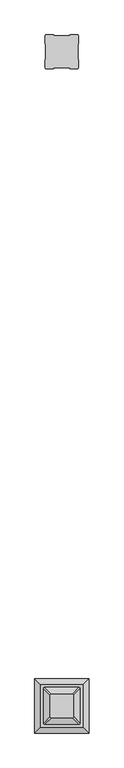
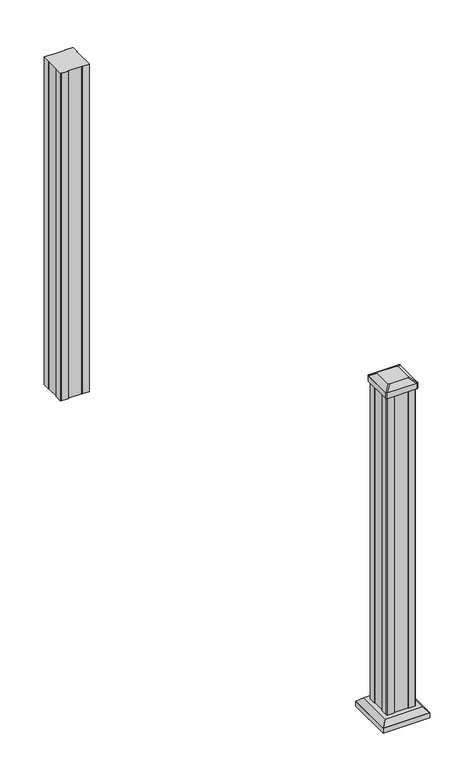
"""IFC4 building model written with IfcOpenShell, lengths in millimetres: railing geometry."""

import ifcopenshell
import ifcopenshell.guid

model = None  # the IFC model being written
_history = None  # IfcOwnerHistory: only IFC2X3 demands one
_inside = {}  # id of a spatial element -> (the spatial element, [elements in it])
_under = {}  # id of a project, library or spatial element -> (it, [spatial elements below it])
_declared = {}  # id of a project -> (the project, [libraries it declares])
_typed = {}  # id of a type object -> (the type object, [elements of that type])
_made_of = {}  # id of a material, layer set ... -> (it, [elements and type objects made of it])


def new_model(schema):
    """Start an empty IFC model of exactly this schema.

    Asked for "IFC4X3", IfcOpenShell would pick the latest addendum, in which some entities
    have other attributes; the version numbers below select the first issue.
    IFC2X3 requires an IfcOwnerHistory on every rooted entity: one is made here for all.
    """
    global model, _history
    if schema == "IFC4X3":
        model = ifcopenshell.file(schema_version=(4, 3, 0, 0))
    else:
        model = ifcopenshell.file(schema=schema)
    _inside.clear()
    _under.clear()
    _declared.clear()
    _typed.clear()
    _made_of.clear()
    _history = None
    if model.schema == "IFC2X3":
        org = make("IfcOrganization", Name="unknown")
        user = make(
            "IfcPersonAndOrganization",
            ThePerson=make("IfcPerson", FamilyName="unknown"),
            TheOrganization=org,
        )
        app = make(
            "IfcApplication",
            ApplicationDeveloper=org,
            Version="unknown",
            ApplicationFullName="unknown",
            ApplicationIdentifier="unknown",
        )
        _history = make(
            "IfcOwnerHistory",
            OwningUser=user,
            OwningApplication=app,
            ChangeAction="ADDED",
            CreationDate=0,
        )
    return model


def make(cls, **values):
    """One entity of the class cls with the attributes given. An attribute that is None is left unset."""
    return model.create_entity(
        cls, **{name: value for name, value in values.items() if value is not None}
    )


def rooted(cls, **values):
    """An entity with a GlobalId (a new one), such as an element, a storey or a relation."""
    return make(cls, GlobalId=ifcopenshell.guid.new(), OwnerHistory=_history, **values)


def si_unit(unit_type, name, prefix=None):
    """IfcSIUnit, for example si_unit("LENGTHUNIT", "METRE", prefix="MILLI")."""
    return make("IfcSIUnit", UnitType=unit_type, Prefix=prefix, Name=name)


def assignment(units):
    """IfcUnitAssignment: the units of a project."""
    return None if units is None else make("IfcUnitAssignment", Units=units)


def point(xyz):
    """IfcCartesianPoint."""
    return None if xyz is None else make("IfcCartesianPoint", Coordinates=xyz)


def direction(xyz):
    """IfcDirection."""
    return None if xyz is None else make("IfcDirection", DirectionRatios=xyz)


def frame(location, z_axis=None, x_axis=None):
    """IfcAxis2Placement3D, a coordinate frame: its origin and axes. An axis left out is left unset."""
    return make(
        "IfcAxis2Placement3D",
        Location=point(location),
        Axis=direction(z_axis),
        RefDirection=direction(x_axis),
    )


def frame_2d(location, x_axis=None):
    """IfcAxis2Placement2D, a coordinate frame in the plane: its origin and x axis."""
    return make(
        "IfcAxis2Placement2D", Location=point(location), RefDirection=direction(x_axis)
    )


def origin():
    """The frame at (0, 0, 0) with its axes left unset."""
    return frame((0.0, 0.0, 0.0))


def origin_with_axes():
    """The frame at (0, 0, 0) with the z axis (0, 0, 1) and the x axis (1, 0, 0) written out."""
    return frame((0.0, 0.0, 0.0), z_axis=(0.0, 0.0, 1.0), x_axis=(1.0, 0.0, 0.0))


def place(relative_to, where):
    """IfcLocalPlacement: puts the frame where relative to a parent placement (None: the world)."""
    return make(
        "IfcLocalPlacement", PlacementRelTo=relative_to, RelativePlacement=where
    )


def context(
    kind, dimensions, precision=None, world=None, true_north=None, identifier=None
):
    """IfcGeometricRepresentationContext, for example the 3D "Model" context."""
    return make(
        "IfcGeometricRepresentationContext",
        ContextIdentifier=identifier,
        ContextType=kind,
        CoordinateSpaceDimension=dimensions,
        Precision=precision,
        WorldCoordinateSystem=world,
        TrueNorth=true_north,
    )


def project(units=None, contexts=None):
    """IfcProject with its units and contexts."""
    return rooted(
        "IfcProject",
        Name="project",
        RepresentationContexts=contexts,
        UnitsInContext=assignment(units),
    )


def spatial(cls, under=None, at=None, **own):
    """A site, building, storey or space (cls), placed at a placement, below another one or the project."""
    s = rooted(cls, ObjectPlacement=at, **own)
    if under is not None:
        _under.setdefault(under.id(), (under, []))[1].append(s)
    return s


def polyline(points):
    """IfcPolyline through the points."""
    return make("IfcPolyline", Points=[point(p) for p in points])


def circle_curve(where, radius):
    """IfcCircle in the frame where."""
    return make("IfcCircle", Position=where, Radius=radius)


def trimmed(basis, trim1, trim2, sense, master):
    """IfcTrimmedCurve: the piece of a basis curve between two trims."""
    return make(
        "IfcTrimmedCurve",
        BasisCurve=basis,
        Trim1=trim1,
        Trim2=trim2,
        SenseAgreement=sense,
        MasterRepresentation=master,
    )


def segment(curve, same_sense, transition):
    """IfcCompositeCurveSegment."""
    return make(
        "IfcCompositeCurveSegment",
        Transition=transition,
        SameSense=same_sense,
        ParentCurve=curve,
    )


def composite_curve(segments, self_intersect=None):
    """IfcCompositeCurve: segments joined end to end."""
    return make("IfcCompositeCurve", Segments=segments, SelfIntersect=self_intersect)


def outline(outer, holes=None, kind="AREA"):
    """IfcArbitraryClosedProfileDef: a profile drawn as a closed curve; with holes, ...WithVoids."""
    if holes is None:
        return make("IfcArbitraryClosedProfileDef", ProfileType=kind, OuterCurve=outer)
    return make(
        "IfcArbitraryProfileDefWithVoids",
        ProfileType=kind,
        OuterCurve=outer,
        InnerCurves=holes,
    )


def extrude(swept, where, along, depth):
    """IfcExtrudedAreaSolid: the profile swept, set in the frame where, extruded along a direction by depth."""
    return make(
        "IfcExtrudedAreaSolid",
        SweptArea=swept,
        Position=where,
        ExtrudedDirection=direction(along),
        Depth=depth,
    )


def faces_of(points, faces, orient=None, outer=None):
    """IfcFace entities. A face is a list of loops; a loop is a list of indices into points, from 0.

    orient and outer hold one flag for each loop. By default every Orientation is true, the
    first loop of a face is its IfcFaceOuterBound and the others are IfcFaceBound.
    """
    made = []
    for i, loops in enumerate(faces):
        bounds = []
        for j, loop in enumerate(loops):
            is_outer = j == 0 if outer is None else outer[i][j]
            bounds.append(
                make(
                    "IfcFaceOuterBound" if is_outer else "IfcFaceBound",
                    Bound=make("IfcPolyLoop", Polygon=[points[k] for k in loop]),
                    Orientation=True if orient is None else orient[i][j],
                )
            )
        made.append(make("IfcFace", Bounds=bounds))
    return made


def faceted_brep(points, faces, orient=None, outer=None, voids=None):
    """IfcFacetedBrep: a solid bounded by flat faces; with voids (closed shells), ...WithVoids."""
    shared = [point(p) for p in points]
    hull = make("IfcClosedShell", CfsFaces=faces_of(shared, faces, orient, outer))
    if voids is None:
        return make("IfcFacetedBrep", Outer=hull)
    return make(
        "IfcFacetedBrepWithVoids",
        Outer=hull,
        Voids=[
            make(cls, CfsFaces=faces_of(shared, fs, o, b)) for cls, fs, o, b in voids
        ],
    )


def shape(context_of_items, identifier, shape_type, items):
    """IfcShapeRepresentation: the items that make up one representation, for example the "Body"."""
    return make(
        "IfcShapeRepresentation",
        ContextOfItems=context_of_items,
        RepresentationIdentifier=identifier,
        RepresentationType=shape_type,
        Items=items,
    )


def source(mapping_origin, context_of_items, identifier, shape_type, items):
    """IfcRepresentationMap: a shape defined once, which mapped items show again and again."""
    return make(
        "IfcRepresentationMap",
        MappingOrigin=mapping_origin,
        MappedRepresentation=shape(context_of_items, identifier, shape_type, items),
    )


def transform(
    local_origin,
    x_axis=None,
    y_axis=None,
    z_axis=None,
    scale=None,
    scale2=None,
    scale3=None,
    uniform=True,
):
    """IfcCartesianTransformationOperator3D, or its non-uniform kind. x_axis, y_axis, z_axis: its Axis1, 2, 3."""
    if uniform:
        return make(
            "IfcCartesianTransformationOperator3D",
            Axis1=direction(x_axis),
            Axis2=direction(y_axis),
            LocalOrigin=point(local_origin),
            Scale=scale,
            Axis3=direction(z_axis),
        )
    return make(
        "IfcCartesianTransformationOperator3DnonUniform",
        Axis1=direction(x_axis),
        Axis2=direction(y_axis),
        LocalOrigin=point(local_origin),
        Scale=scale,
        Axis3=direction(z_axis),
        Scale2=scale2,
        Scale3=scale3,
    )


def mapped(mapping_source, mapping_target):
    """IfcMappedItem: shows the shape of a source again, moved by a transform."""
    return make(
        "IfcMappedItem", MappingSource=mapping_source, MappingTarget=mapping_target
    )


def made_of(thing, what):
    """Note that an element or type object is made of a material, layer set ...; save() writes the relation."""
    if what is not None:
        _made_of.setdefault(what.id(), (what, []))[1].append(thing)
    return thing


def element(
    cls,
    number,
    at=None,
    inside=None,
    cuts=None,
    type_object=None,
    material=None,
    context=None,
    identifier="Body",
    shape_type=None,
    held_by="IfcProductDefinitionShape",
    body=None,
    shapes=None,
    **own,
):
    """One element of the class cls, such as IfcWall. Its Tag is "e" and its number.

    at: its placement. inside: the storey or other place that contains it. cuts: it is an
    opening in that element (IfcRelVoidsElement). A single representation is given by context,
    identifier, shape_type and body (its items); several are given by shapes. held_by: the class
    of the entity that holds the representations. save() writes the other relations.
    """
    e = rooted(cls, Tag="e%d" % number, ObjectPlacement=at, **own)
    if body is not None:
        shapes = [shape(context, identifier, shape_type, body)]
    if shapes is not None:
        e.Representation = make(held_by, Representations=shapes)
    if inside is not None:
        _inside.setdefault(inside.id(), (inside, []))[1].append(e)
    if cuts is not None:
        rooted(
            "IfcRelVoidsElement", RelatingBuildingElement=cuts, RelatedOpeningElement=e
        )
    if type_object is not None:
        _typed.setdefault(type_object.id(), (type_object, []))[1].append(e)
    return made_of(e, material)


def aggregate(whole, parts):
    """IfcRelAggregates: a whole, such as a stair, and the parts it consists of."""
    return rooted("IfcRelAggregates", RelatingObject=whole, RelatedObjects=parts)


def save(model, path):
    """Write the relations noted so far, then the file.

    IfcRelAggregates (storeys below a building ...), IfcRelContainedInSpatialStructure (elements
    in a storey), IfcRelDefinesByType, IfcRelAssociatesMaterial and IfcRelDeclares: one each for
    every whole, place, type object, material and project.
    """
    for whole, parts in _under.values():
        aggregate(whole, parts)
    for where, things in _inside.values():
        rooted(
            "IfcRelContainedInSpatialStructure",
            RelatedElements=things,
            RelatingStructure=where,
        )
    for kind, things in _typed.values():
        rooted("IfcRelDefinesByType", RelatedObjects=things, RelatingType=kind)
    for what, things in _made_of.values():
        rooted("IfcRelAssociatesMaterial", RelatedObjects=things, RelatingMaterial=what)
    for by, libraries in _declared.values():
        rooted("IfcRelDeclares", RelatingContext=by, RelatedDefinitions=libraries)
    model.write(path)


def plane_surface(at):
    """IfcPlane: the flat surface through the origin of the frame at, square to its z axis."""
    return make("IfcPlane", Position=at)


def extruded_surface(curve, direction_of_extrusion, depth):
    """IfcSurfaceOfLinearExtrusion: the curve pushed along a direction by depth."""
    return make(
        "IfcSurfaceOfLinearExtrusion",
        SweptCurve=make("IfcArbitraryOpenProfileDef", ProfileType="CURVE", Curve=curve),
        ExtrudedDirection=direction(direction_of_extrusion),
        Depth=depth,
    )


def advanced_brep(points, edges, surfaces, faces):
    """IfcAdvancedBrep: a solid bounded by faces that lie on surfaces and meet in shared edges.

    An edge is (start, end): straight between two places in points (the first is 0);
    or (start, end, curve); or (start, end, curve, False) where it runs against its curve.
    A face is (place in surfaces, loops), or (place, loops, False) where it looks against
    its surface's normal. A loop lists edges by number (the first is 1), with a minus sign
    where the edge is run from its end to its start. The first loop is the outer one.
    """
    corners = [point(p) for p in points]
    vertices = [make("IfcVertexPoint", VertexGeometry=c) for c in corners]
    made = []
    for start, end, *more in edges:
        made.append(
            make(
                "IfcEdgeCurve",
                EdgeStart=vertices[start],
                EdgeEnd=vertices[end],
                EdgeGeometry=more[0] if more else make("IfcPolyline", Points=[corners[start], corners[end]]),
                SameSense=more[1] if len(more) > 1 else True,
            )
        )
    hull = []
    for where, loops, *sense in faces:
        bounds = []
        for j, loop in enumerate(loops):
            ring = [make("IfcOrientedEdge", EdgeElement=made[abs(k) - 1], Orientation=k > 0) for k in loop]
            bounds.append(
                make(
                    "IfcFaceOuterBound" if j == 0 else "IfcFaceBound",
                    Bound=make("IfcEdgeLoop", EdgeList=ring),
                    Orientation=True,
                )
            )
        hull.append(make("IfcAdvancedFace", Bounds=bounds, FaceSurface=surfaces[where], SameSense=sense[0] if sense else True))
    return make("IfcAdvancedBrep", Outer=make("IfcClosedShell", CfsFaces=hull))


def railing_4abc406f(model_context):
    return source(origin(), model_context, "Body", "SolidModel", [
        extrude(outline(polyline([(33527.4856124, 29488.030577), (33507.8641124, 29488.030577), (33507.1021124, 29489.618077), (33468.4941124, 29489.618077), (33467.7321124, 29488.030577), (33448.1106124, 29488.030577), (33446.5231124, 29489.618077), (33446.5231124, 29509.239577), (33448.1106124, 29510.001577), (33448.1106124, 29548.609577), (33446.5231124, 29549.371577), (33446.5231124, 29568.993077), (33448.1106124, 29570.580577), (33467.7321124, 29570.580577), (33468.4941124, 29568.993077), (33507.1021124, 29568.993077), (33507.8641124, 29570.580577), (33527.4856124, 29570.580577), (33529.0731124, 29568.993077), (33529.0731124, 29549.371577), (33527.4856124, 29548.609577), (33527.4856124, 29510.001577), (33529.0731124, 29509.239577), (33529.0731124, 29489.618077), (33527.4856124, 29488.030577)])), origin_with_axes(), (0.0, 0.0, 1.0), 984.25),
        faceted_brep([(33435.2121749, 27869.9156395, 28.575), (33540.3840499, 27869.9156395, 28.575), (33540.3840499, 27975.0875145, 28.575), (33435.2121749, 27975.0875145, 28.575), (33421.1727218, 27855.8761863, 15.24), (33421.1727218, 27989.1269676, 15.24), (33554.423503, 27989.1269676, 15.24), (33554.423503, 27855.8761863, 15.24)], [[[0, 1, 2, 3]], [[4, 5, 6, 7]], [[4, 7, 1, 0]], [[7, 6, 2, 1]], [[6, 5, 3, 2]], [[5, 4, 0, 3]]]),
        extrude(outline(polyline([(33421.1727218, 27855.8761863), (33421.1727218, 27989.1269676), (33554.423503, 27989.1269676), (33554.423503, 27855.8761863), (33421.1727218, 27855.8761863)])), origin_with_axes(), (0.0, 0.0, 1.0), 15.24),
        advanced_brep(
        [(33513.5949874, 27893.529702, 1012.825), (33516.7699874, 27896.704702, 1012.825), (33516.7699874, 27948.298452, 1012.825), (33513.5949874, 27951.473452, 1012.825), (33462.0012374, 27951.473452, 1012.825), (33458.8262374, 27948.298452, 1012.825), (33458.8262374, 27896.704702, 1012.825), (33462.0012374, 27893.529702, 1012.825), (33529.8668624, 27877.257827, 1001.522), (33445.7293624, 27877.257827, 1001.522), (33442.5543624, 27880.432827, 1001.522), (33442.5543624, 27964.570327, 1001.522), (33445.7293624, 27967.745327, 1001.522), (33529.8668624, 27967.745327, 1001.522), (33533.0418624, 27964.570327, 1001.522), (33533.0418624, 27880.432827, 1001.522)],
        [
            (0, 1, circle_curve(frame((33513.5949874, 27896.704702, 1012.825), z_axis=(0.0, 0.0, 1.0), x_axis=(0.0, 1.0, 0.0)), 3.175)),
            (1, 2),
            (2, 3, circle_curve(frame((33513.5949874, 27948.298452, 1012.825), z_axis=(0.0, 0.0, 1.0), x_axis=(0.0, 1.0, 0.0)), 3.175)),
            (3, 4),
            (4, 5, circle_curve(frame((33462.0012374, 27948.298452, 1012.825), z_axis=(0.0, 0.0, 1.0), x_axis=(0.0, 1.0, 0.0)), 3.175)),
            (5, 6),
            (6, 7, circle_curve(frame((33462.0012374, 27896.704702, 1012.825), z_axis=(0.0, 0.0, 1.0), x_axis=(0.0, 1.0, 0.0)), 3.175)),
            (7, 0),
            (8, 9),
            (9, 10, circle_curve(frame((33445.7293624, 27880.432827, 1001.522), z_axis=(0.0, 0.0, -1.0), x_axis=(0.0, 1.0, 0.0)), 3.175)),
            (10, 11),
            (11, 12, circle_curve(frame((33445.7293624, 27964.570327, 1001.522), z_axis=(0.0, 0.0, -1.0), x_axis=(0.0, 1.0, 0.0)), 3.175)),
            (12, 13),
            (13, 14, circle_curve(frame((33529.8668624, 27964.570327, 1001.522), z_axis=(0.0, 0.0, -1.0), x_axis=(0.0, 1.0, 0.0)), 3.175)),
            (14, 15),
            (15, 8, circle_curve(frame((33529.8668624, 27880.432827, 1001.522), z_axis=(0.0, 0.0, -1.0), x_axis=(0.0, 1.0, 0.0)), 3.175)),
            (15, 1),
            (0, 8),
            (14, 2),
            (13, 3),
            (12, 4),
            (11, 5),
            (10, 6),
            (9, 7),
        ],
        [
            plane_surface(frame((33487.7981124, 27922.501577, 1012.825), z_axis=(0.0, 0.0, 1.0), x_axis=(1.0, 0.0, 0.0))),
            plane_surface(frame((33487.7981124, 27922.501577, 1001.522), z_axis=(0.0, 0.0, -1.0), x_axis=(1.0, 0.0, 0.0))),
            extruded_surface(trimmed(circle_curve(frame((33529.8668624, 27880.432827, 1001.522), z_axis=(0.0, 0.0, 1.0), x_axis=(0.0, 1.0, 0.0)), 3.175), [point((33529.8668624, 27877.257827, 1001.522))], [point((33533.0418624, 27880.432827, 1001.522))], True, "CARTESIAN"), (-16.271874999998545, 16.271874999998545, 11.302999999999997), 25.637972638864316),
            plane_surface(frame((33533.0418624, 27922.501577, 1001.522), z_axis=(0.5705009161540779, 0.0, 0.8212969649690408), x_axis=(0.0, 1.0, 0.0))),
            extruded_surface(trimmed(circle_curve(frame((33529.8668624, 27964.570327, 1001.522), z_axis=(0.0, 0.0, 1.0), x_axis=(0.0, 1.0, 0.0)), 3.175), [point((33533.0418624, 27964.570327, 1001.522))], [point((33529.8668624, 27967.745327, 1001.522))], True, "CARTESIAN"), (-16.271874999998545, -16.271875000002183, 11.302999999999997), 25.63797263886662),
            plane_surface(frame((33487.7981124, 27967.745327, 1001.522), z_axis=(0.0, 0.5705009161540291, 0.8212969649690747), x_axis=(-1.0, 0.0, 0.0))),
            extruded_surface(trimmed(circle_curve(frame((33445.7293624, 27964.570327, 1001.522), z_axis=(0.0, 0.0, 1.0), x_axis=(0.0, 1.0, 0.0)), 3.175), [point((33445.7293624, 27967.745327, 1001.522))], [point((33442.5543624, 27964.570327, 1001.522))], True, "CARTESIAN"), (16.271874999998545, -16.271875000002183, 11.302999999999997), 25.63797263886662),
            plane_surface(frame((33442.5543624, 27922.501577, 1001.522), z_axis=(-0.5705009161540141, 0.0, 0.8212969649690851), x_axis=(0.0, -1.0, 0.0))),
            extruded_surface(trimmed(circle_curve(frame((33445.7293624, 27880.432827, 1001.522), z_axis=(0.0, 0.0, 1.0), x_axis=(0.0, 1.0, 0.0)), 3.175), [point((33442.5543624, 27880.432827, 1001.522))], [point((33445.7293624, 27877.257827, 1001.522))], True, "CARTESIAN"), (16.271874999998545, 16.271874999998545, 11.302999999999997), 25.637972638864316),
            plane_surface(frame((33487.7981124, 27877.257827, 1001.522), z_axis=(0.0, -0.570500916154034, 0.8212969649690713), x_axis=(1.0, 0.0, 0.0))),
        ],
        [
            (0, [[1, 2, 3, 4, 5, 6, 7, 8]]),
            (1, [[9, 10, 11, 12, 13, 14, 15, 16]]),
            (2, [[-16, 17, -1, 18]]),
            (3, [[-15, 19, -2, -17]]),
            (4, [[-14, 20, -3, -19]]),
            (5, [[-13, 21, -4, -20]]),
            (6, [[-12, 22, -5, -21]]),
            (7, [[-11, 23, -6, -22]]),
            (8, [[-10, 24, -7, -23]]),
            (9, [[-9, -18, -8, -24]]),
        ],
    ),
        extrude(outline(composite_curve([segment(polyline([(33529.8668624, 27877.257827), (33445.7293624, 27877.257827)]), True, "CONTINUOUS"), segment(trimmed(circle_curve(frame_2d((33445.7293624, 27880.432827)), 3.175), [point((33445.7293624, 27877.257827))], [point((33442.5543624, 27880.432827))], False, "CARTESIAN"), True, "CONTINUOUS"), segment(polyline([(33442.5543624, 27880.432827), (33442.5543624, 27964.570327)]), True, "CONTINUOUS"), segment(trimmed(circle_curve(frame_2d((33445.7293624, 27964.570327)), 3.175), [point((33442.5543624, 27964.570327))], [point((33445.7293624, 27967.745327))], False, "CARTESIAN"), True, "CONTINUOUS"), segment(polyline([(33445.7293624, 27967.745327), (33529.8668624, 27967.745327)]), True, "CONTINUOUS"), segment(trimmed(circle_curve(frame_2d((33529.8668624, 27964.570327)), 3.175), [point((33529.8668624, 27967.745327))], [point((33533.0418624, 27964.570327))], False, "CARTESIAN"), True, "CONTINUOUS"), segment(polyline([(33533.0418624, 27964.570327), (33533.0418624, 27880.432827)]), True, "CONTINUOUS"), segment(trimmed(circle_curve(frame_2d((33529.8668624, 27880.432827)), 3.175), [point((33533.0418624, 27880.432827))], [point((33529.8668624, 27877.257827))], False, "CARTESIAN"), True, "CONTINUOUS")], self_intersect=False)), frame((0.0, 0.0, 984.25), z_axis=(0.0, 0.0, 1.0), x_axis=(1.0, 0.0, 0.0)), (0.0, 0.0, 1.0), 17.272),
        extrude(outline(polyline([(33527.4856124, 27881.226577), (33507.8641124, 27881.226577), (33507.1021124, 27882.814077), (33468.4941124, 27882.814077), (33467.7321124, 27881.226577), (33448.1106124, 27881.226577), (33446.5231124, 27882.814077), (33446.5231124, 27902.435577), (33448.1106124, 27903.197577), (33448.1106124, 27941.805577), (33446.5231124, 27942.567577), (33446.5231124, 27962.189077), (33448.1106124, 27963.776577), (33467.7321124, 27963.776577), (33468.4941124, 27962.189077), (33507.1021124, 27962.189077), (33507.8641124, 27963.776577), (33527.4856124, 27963.776577), (33529.0731124, 27962.189077), (33529.0731124, 27942.567577), (33527.4856124, 27941.805577), (33527.4856124, 27903.197577), (33529.0731124, 27902.435577), (33529.0731124, 27882.814077), (33527.4856124, 27881.226577)])), origin_with_axes(), (0.0, 0.0, 1.0), 984.25),
    ])


if __name__ == "__main__":
    model = new_model("IFC4")
    model_context = context("Model", 3, world=origin())
    ifc_project = project(units=[si_unit("LENGTHUNIT", "METRE", prefix="MILLI")], contexts=[model_context])
    site = spatial("IfcSite", under=ifc_project)
    building = spatial("IfcBuilding", under=site)
    placement = place(None, origin())
    railing_shape = railing_4abc406f(model_context)
    element("IfcRailing", 1, at=placement, inside=building, context=model_context, shape_type="MappedRepresentation", body=[
        mapped(railing_shape, transform((0.0, 0.0, 0.0), x_axis=(1.0, 0.0, 0.0), y_axis=(0.0, 1.0, 0.0), z_axis=(0.0, 0.0, 1.0))),
    ])
    save(model, "model.ifc")
